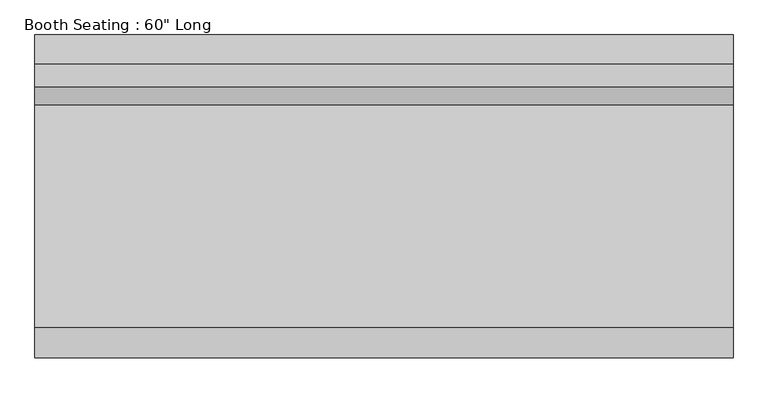
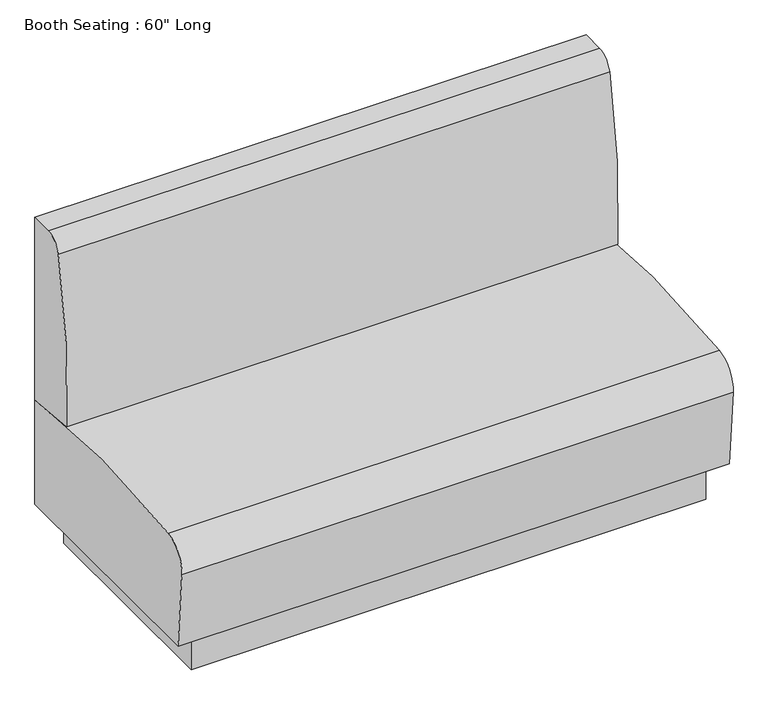
"""IFC4 building model written with IfcOpenShell, lengths in millimetres: furniture geometry."""

from ifc_helpers import new_model, si_unit, point, frame, frame_2d, origin, origin_with_axes, place, context, project, spatial, polyline, circle_curve, trimmed, segment, composite_curve, outline, extrude, source, transform, mapped, element, save


def furniture_b4dfac45(model_context):
    return source(origin(), model_context, "Body", "SweptSolid", [
        extrude(outline(composite_curve([segment(polyline([(355.6, 939.8), (355.6, 406.4), (203.2, 420.809063)]), True, "CONTINUOUS"), segment(trimmed(circle_curve(frame_2d((1896.6191414, 522.5154157)), 1696.4706218), [point((203.2, 420.809063))], [point((242.7504703, 900.3129667))], False, "CARTESIAN"), True, "CONTINUOUS"), segment(trimmed(circle_curve(frame_2d((292.2747753, 889.0)), 50.8), [point((242.7504703, 900.3129667))], [point((292.2747753, 939.8))], False, "CARTESIAN"), True, "CONTINUOUS"), segment(polyline([(292.2747753, 939.8), (355.6, 939.8)]), True, "CONTINUOUS")], self_intersect=False)), frame((-762.0, 0.0, 0.0), z_axis=(1.0, 0.0, 0.0), x_axis=(0.0, 1.0, 0.0)), (0.0, 0.0, 1.0), 1524.0),
        extrude(outline(composite_curve([segment(trimmed(circle_curve(frame_2d((-272.6641824, 328.7396957)), 76.2), [point((-348.6009692, 322.4116302))], [point((-282.6626275, 404.2808838))], False, "CARTESIAN"), True, "CONTINUOUS"), segment(trimmed(circle_curve(frame_2d((44.6835428, -2068.9155338)), 2494.7657275), [point((-282.6626275, 404.2808838))], [point((355.6, 406.4))], False, "CARTESIAN"), True, "CONTINUOUS"), segment(polyline([(355.6, 406.4), (355.6, 101.6), (-330.2, 101.6), (-348.6009692, 322.4116302)]), True, "CONTINUOUS")], self_intersect=False)), frame((-762.0, 0.0, 0.0), z_axis=(1.0, 0.0, 0.0), x_axis=(0.0, 1.0, 0.0)), (0.0, 0.0, 1.0), 1524.0),
        extrude(outline(polyline([(711.2, 304.8), (711.2, -304.8), (-711.2, -304.8), (-711.2, 304.8), (711.2, 304.8)])), origin_with_axes(), (0.0, 0.0, 1.0), 101.6),
    ])


if __name__ == "__main__":
    model = new_model("IFC4")
    model_context = context("Model", 3, world=origin())
    ifc_project = project(units=[si_unit("LENGTHUNIT", "METRE", prefix="MILLI")], contexts=[model_context])
    site = spatial("IfcSite", under=ifc_project)
    building = spatial("IfcBuilding", under=site)
    placement = place(None, origin())
    furniture_shape = furniture_b4dfac45(model_context)
    element("IfcFurniture", 1, ObjectType="Booth Seating : 60\" Long", at=placement, inside=building, context=model_context, shape_type="MappedRepresentation", body=[
        mapped(furniture_shape, transform((0.0, 0.0, 0.0), x_axis=(1.0, 0.0, 0.0), y_axis=(0.0, 1.0, 0.0), z_axis=(0.0, 0.0, 1.0))),
    ])
    save(model, "model.ifc")
